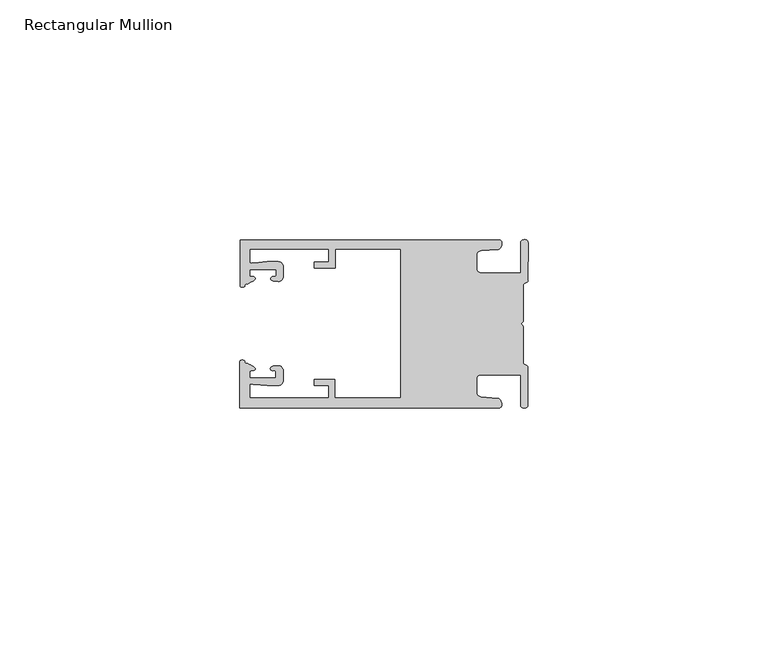
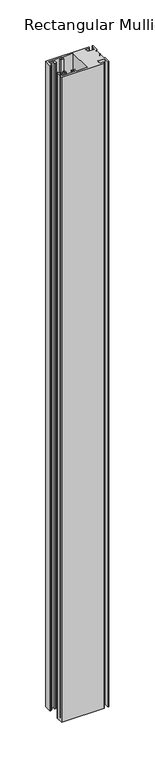
"""IFC4 building model written with IfcOpenShell, lengths in millimetres: member geometry, Rectangular Mullion."""

from ifc_helpers import new_model, si_unit, frame, origin, place, context, project, spatial, circle_curve, source, transform, mapped, element, save
from ifc_brep_helpers import plane_surface, cylinder_surface, extruded_surface, spline_curve, advanced_brep


def rectangular_mullion_0a97ca42(model_context):
    return source(origin(), model_context, "Body", "AdvancedBrep", [
        advanced_brep(
        [(-60.0749377, 17.5111528, 0.0), (-60.0749377, 8.0140787, 0.0), (-59.3252567, 7.7187455, 0.0), (-58.4967974, 8.36785, 0.0), (-58.0726619, 10.1173923, 0.0), (-58.0713101, 11.3673916, 0.0), (-52.5713133, 11.3614437, 0.0), (-52.5726651, 10.1114444, 0.0), (-53.1427626, 8.8955539, 0.0), (-52.0740172, 8.8609044, 0.0), (-51.0729364, 9.8598224, 0.0), (-51.0706653, 11.9598211, 0.0), (-52.0700692, 12.9609024, 0.0), (-54.3905105, 12.9622843, 0.0), (-57.1599646, 12.7230061, 0.0), (-58.0696339, 12.9173907, 0.0), (-58.066768, 15.5673891, 0.0), (-41.5667584, 15.5673891, 0.0), (-41.5695894, 12.9495468, 0.0), (-44.5695877, 12.9527912, 0.0), (-44.5709936, 11.6527919, 0.0), (-40.2709961, 11.6481417, 0.0), (-40.2667576, 15.5673891, 0.0), (-26.6002952, 15.5673891, 0.0), (-26.6002952, -15.4518424, 0.0), (-40.3003032, -15.4518424, 0.0), (-40.2960856, -11.5518447, 0.0), (-44.5960831, -11.5471945, 0.0), (-44.597489, -12.8471938, 0.0), (-41.5974907, -12.8504381, 0.0), (-41.6003025, -15.4504366, 0.0), (-58.1002928, -15.4325927, 0.0), (-58.097427, -12.7825943, 0.0), (-57.1873395, -12.5901776, 0.0), (-54.4184094, -12.8354453, 0.0), (-52.0979705, -12.8390822, 0.0), (-51.0964037, -11.8401649, 0.0), (-51.0941327, -9.7401662, 0.0), (-52.0930507, -8.7390853, 0.0), (-53.1618685, -8.7714231, 0.0), (-52.5944022, -9.9885439, 0.0), (-52.595754, -11.2385431, 0.0), (-58.0957508, -11.2325952, 0.0), (-58.094399, -9.9825959, 0.0), (-58.5147494, -8.2321403, 0.0), (-59.3418028, -7.5812455, 0.0), (-60.0921208, -7.8749565, 0.0), (-60.0921208, -17.4888267, 0.0), (-6.1024861, -17.4888267, 0.0), (-6.5218639, -15.488372, 0.0), (-9.8784944, -15.2205466, 0.0), (-10.7989567, -14.2226333, 0.0), (-10.7961029, -11.5837474, 0.0), (-9.8734844, -10.5878272, 0.0), (-1.5950266, -10.5934991, 0.0), (-1.601948, -16.9936935, 0.0), (-0.1017194, -16.7830581, 0.0), (-0.0933208, -9.0170082, 0.0), (-1.0923837, -8.1499018, 0.0), (-1.0842165, -0.5977972, 0.0), (-1.0829111, 0.6093089, 0.0), (-1.0747439, 8.1614135, 0.0), (-0.0738079, 9.026357, 0.0), (-0.0654093, 16.7924069, 0.0), (-1.5651789, 17.0062866, 0.0), (-1.5651789, 10.6183257, 0.0), (-9.8505511, 10.6183257, 0.0), (-10.7710133, 11.6162391, 0.0), (-10.7681595, 14.255125, 0.0), (-9.845541, 15.2510452, 0.0), (-6.4883391, 15.5116099, 0.0), (-6.0646356, 17.5111528, 0.0), (-60.0749377, 17.5111528, -863.6), (-6.0646356, 17.5111528, -863.6), (-6.4883391, 15.5116099, -863.6), (-9.845541, 15.2510452, -863.6), (-10.7681595, 14.255125, -863.6), (-10.7710133, 11.6162391, -863.6), (-9.8505511, 10.6183257, -863.6), (-1.5651789, 10.6183257, -863.6), (-1.5651789, 17.0062866, -863.6), (-0.0654093, 16.7924069, -863.6), (-0.0738079, 9.026357, -863.6), (-1.0747439, 8.1614135, -863.6), (-1.0829111, 0.6093089, -863.6), (-1.0842165, -0.5977972, -863.6), (-1.0923837, -8.1499018, -863.6), (-0.0933208, -9.0170082, -863.6), (-0.1017194, -16.7830581, -863.6), (-1.601948, -16.9936935, -863.6), (-1.5950266, -10.5934991, -863.6), (-9.8734844, -10.5878272, -863.6), (-10.7961029, -11.5837474, -863.6), (-10.7989567, -14.2226333, -863.6), (-9.8784944, -15.2205466, -863.6), (-6.5218639, -15.488372, -863.6), (-6.1024861, -17.4888267, -863.6), (-60.0921208, -17.4888267, -863.6), (-60.0921208, -7.8749565, -863.6), (-59.3418028, -7.5812455, -863.6), (-58.5147494, -8.2321403, -863.6), (-58.094399, -9.9825959, -863.6), (-58.0957508, -11.2325952, -863.6), (-52.595754, -11.2385431, -863.6), (-52.5944022, -9.9885439, -863.6), (-53.1618685, -8.7714231, -863.6), (-52.0930507, -8.7390853, -863.6), (-51.0941327, -9.7401662, -863.6), (-51.0964037, -11.8401649, -863.6), (-52.0979705, -12.8390823, -863.6), (-54.4184094, -12.8354453, -863.6), (-57.1873395, -12.5901776, -863.6), (-58.097427, -12.7825943, -863.6), (-58.1002928, -15.4325927, -863.6), (-41.6003025, -15.4504366, -863.6), (-41.5974907, -12.8504381, -863.6), (-44.597489, -12.8471938, -863.6), (-44.5960831, -11.5471945, -863.6), (-40.2960856, -11.5518447, -863.6), (-40.3003032, -15.4518424, -863.6), (-26.6002952, -15.4518424, -863.6), (-26.6002952, 15.5673891, -863.6), (-40.2667576, 15.5673891, -863.6), (-40.2709961, 11.6481417, -863.6), (-44.5709936, 11.6527919, -863.6), (-44.5695877, 12.9527912, -863.6), (-41.5695894, 12.9495468, -863.6), (-41.5667584, 15.5673891, -863.6), (-58.066768, 15.5673891, -863.6), (-58.0696339, 12.9173907, -863.6), (-57.1599646, 12.7230061, -863.6), (-54.3905105, 12.9622843, -863.6), (-52.0700692, 12.9609023, -863.6), (-51.0706653, 11.9598211, -863.6), (-51.0729364, 9.8598224, -863.6), (-52.0740172, 8.8609044, -863.6), (-53.1427626, 8.8955539, -863.6), (-52.5726651, 10.1114444, -863.6), (-52.5713133, 11.3614437, -863.6), (-58.0713101, 11.3673916, -863.6), (-58.0726619, 10.1173923, -863.6), (-58.4967974, 8.36785, -863.6), (-59.3252567, 7.7187455, -863.6), (-60.0749377, 8.0140787, -863.6)],
        [
            (0, 1),
            (1, 2, spline_curve(3, [(-60.0749377, 8.0140787, 0.0), (-60.075233123, 7.740904774, 0.0), (-59.825339491, 7.642460332, 0.0), (-59.3252567, 7.7187455, 0.0)], [4, 4], [0.0, 0.0019169337574178654])),
            (2, 3, spline_curve(3, [(-59.3252567, 7.7187455, 0.0), (-59.094460914, 7.75918372, 0.0), (-59.054835463, 7.902257199, 0.0), (-59.05559987, 8.233305614, 0.0), (-59.138729113, 8.4134359, 0.0), (-58.4967974, 8.36785, 0.0)], [4, 2, 4], [0.0, 0.0010199524164107188, 0.0024874514725970356])),
            (3, 4, spline_curve(3, [(-58.4967974, 8.36785, 0.0), (-57.022393378, 9.053435667, 0.0), (-56.827266887, 9.364828726, 0.0), (-56.982213078, 9.742623404, 0.0), (-57.177375211, 9.855581791, 0.0), (-57.697928101, 9.887955071, 0.0), (-57.997449153, 9.835475348, 0.0), (-58.0726619, 10.1173923, 0.0)], [4, 2, 2, 4], [0.0, 0.003269869179570428, 0.005490050486237203, 0.0073545767114364426])),
            (4, 5),
            (5, 6),
            (6, 7),
            (7, 8, spline_curve(3, [(-52.5726651, 10.1114444, 0.0), (-52.667195519, 9.760172042, 0.0), (-52.937094388, 9.861877724, 0.0), (-53.356237032, 9.895631753, 0.0), (-53.491940439, 9.811038713, 0.0), (-53.761900775, 9.511438033, 0.0), (-53.892893546, 9.278787104, 0.0), (-53.1427626, 8.8955539, 0.0)], [4, 2, 2, 4], [0.0, 0.001593963049934732, 0.0033360256320283306, 0.005339140673503943])),
            (8, 9),
            (9, 10, circle_curve(frame((-52.0729358, 9.8609038, 0.0), z_axis=(0.0, 0.0, 1.0), x_axis=(-0.0010814451158600304, -0.9999994152380598, 0.0)), 1.0)),
            (10, 11),
            (11, 12, circle_curve(frame((-52.0706647, 11.9609026, 0.0), z_axis=(0.0, 0.0, 1.0), x_axis=(-0.0010814451158600304, -0.9999994152380598, 0.0)), 1.0)),
            (12, 13),
            (13, 14),
            (14, 15, spline_curve(3, [(-57.1599646, 12.7230061, 0.0), (-57.631533854, 12.682262968, 0.0), (-58.018602985, 12.477800124, 0.0), (-58.0696339, 12.9173907, 0.0)], [4, 4], [0.0, 0.0014803385355886016])),
            (15, 16),
            (16, 17),
            (17, 18),
            (18, 19),
            (19, 20),
            (20, 21),
            (21, 22),
            (22, 23),
            (23, 24),
            (24, 25),
            (25, 26),
            (26, 27),
            (27, 28),
            (28, 29),
            (29, 30),
            (30, 31),
            (31, 32),
            (32, 33, spline_curve(3, [(-58.097427, -12.7825943, 0.0), (-58.045445419, -12.343115126, 0.0), (-57.658819528, -12.548414611, 0.0), (-57.1873395, -12.5901776, 0.0)], [4, 4], [0.0, 0.0014803385355886016])),
            (33, 34),
            (34, 35),
            (35, 36, circle_curve(frame((-52.0964031, -11.8390835, 0.0), z_axis=(0.0, 0.0, 1.0), x_axis=(0.0010814451158600304, 0.9999994152380598, 0.0)), 1.0)),
            (36, 37),
            (37, 38, circle_curve(frame((-52.0941321, -9.7390847, 0.0), z_axis=(0.0, 0.0, 1.0), x_axis=(0.0010814451158600304, 0.9999994152380598, 0.0)), 1.0)),
            (38, 39),
            (39, 40, spline_curve(3, [(-53.1618685, -8.7714231, 0.0), (-53.912826582, -9.153032958, 0.0), (-53.782337352, -9.385966711, 0.0), (-53.51302565, -9.686150585, 0.0), (-53.377505444, -9.771037009, 0.0), (-52.958290774, -9.738189618, 0.0), (-52.688172635, -9.637067904, 0.0), (-52.5944022, -9.9885439, 0.0)], [4, 2, 2, 4], [0.0, 0.002003115041475612, 0.0037451776235692107, 0.005339140673503943])),
            (40, 41),
            (41, 42),
            (42, 43),
            (43, 44, spline_curve(3, [(-58.094399, -9.9825959, 0.0), (-58.018576674, -9.700842284, 0.0), (-57.719169706, -9.753969703, 0.0), (-57.198548014, -9.722722397, 0.0), (-57.003142178, -9.61018632, 0.0), (-56.847379222, -9.232727657, 0.0), (-57.041831673, -8.920913336, 0.0), (-58.5147494, -8.2321403, 0.0)], [4, 2, 2, 4], [0.0, 0.0018645262251992395, 0.004084707531866015, 0.0073545767114364426])),
            (44, 45, spline_curve(3, [(-58.5147494, -8.2321403, 0.0), (-59.156778208, -8.276337666, 0.0), (-59.073259494, -8.096387681, 0.0), (-59.071779067, -7.765341694, 0.0), (-59.111095017, -7.622182811, 0.0), (-59.3418028, -7.5812455, 0.0)], [4, 2, 4], [0.0, 0.0014674990561863168, 0.0024874514725970356])),
            (45, 46, spline_curve(3, [(-59.3418028, -7.5812455, 0.0), (-59.841719425, -7.503878887, 0.0), (-60.091825377, -7.601782574, 0.0), (-60.0921208, -7.8749565, 0.0)], [4, 4], [0.0, 0.0019169337574178654])),
            (46, 47),
            (47, 48),
            (48, 49, spline_curve(3, [(-6.1024861, -17.4888267, 0.0), (-5.074532184, -17.418062188, 0.0), (-5.631140689, -15.411414367, 0.0), (-6.5218639, -15.488372, 0.0)], [4, 4], [0.0, 0.0043819361547461745])),
            (49, 50),
            (50, 51, spline_curve(3, [(-9.8784944, -15.2205466, 0.0), (-10.440691543, -15.150698463, 0.0), (-10.74751234, -14.818060727, 0.0), (-10.7989567, -14.2226333, 0.0)], [4, 4], [0.0, 0.0028645797420738927])),
            (51, 52),
            (52, 53, spline_curve(3, [(-10.7961029, -11.5837474, 0.0), (-10.743370817, -10.988432634, 0.0), (-10.435831301, -10.656459204, 0.0), (-9.8734844, -10.5878272, 0.0)], [4, 4], [0.0, 0.0028645797420738927])),
            (53, 54),
            (54, 55),
            (55, 56, spline_curve(3, [(-1.601948, -16.9936935, 0.0), (-1.655676874, -17.600261454, 0.0), (-0.043737403, -17.912795581, 0.0), (-0.1017194, -16.7830581, 0.0)], [4, 4], [0.0, 0.0036987374396357936])),
            (56, 57),
            (57, 58, spline_curve(3, [(-0.0933208, -9.0170082, 0.0), (-0.018818183, -8.695886697, 0.0), (-1.193434327, -8.459763043, 0.0), (-1.0923837, -8.1499018, 0.0)], [4, 4], [0.0, 0.002027216749630121])),
            (58, 59),
            (59, 60, spline_curve(3, [(-1.0842165, -0.5977972, 0.0), (-1.013223198, -0.445980437, 0.0), (-1.487945123, -0.206736825, 0.0), (-1.487409651, 0.231097965, 0.0), (-0.999110985, 0.429090391, 0.0), (-1.0829111, 0.6093089, 0.0)], [4, 2, 4], [0.0, 0.00249866671847065, 0.005031402919736269])),
            (60, 61),
            (61, 62, spline_curve(3, [(-1.0747439, 8.1614135, 0.0), (-1.175124095, 8.47149258, 0.0), (-7e-09, 8.705075107, 0.0), (-0.0738079, 9.026357, 0.0)], [4, 4], [0.0, 0.002027216749630121])),
            (62, 63),
            (63, 64, spline_curve(3, [(-0.0654093, 16.7924069, 0.0), (-0.004983942, 17.92201633, 0.0), (-1.617595709, 17.612969344, 0.0), (-1.5651789, 17.0062866, 0.0)], [4, 4], [0.0, 0.0036987374396357936])),
            (64, 65),
            (65, 66),
            (66, 67, spline_curve(3, [(-9.8505511, 10.6183257, 0.0), (-10.412748243, 10.688173837, 0.0), (-10.71956894, 11.020811673, 0.0), (-10.7710133, 11.6162391, 0.0)], [4, 4], [0.0, 0.0028645797420738927])),
            (67, 68),
            (68, 69, spline_curve(3, [(-10.7681595, 14.255125, 0.0), (-10.715427417, 14.850439766, 0.0), (-10.407887901, 15.182413196, 0.0), (-9.845541, 15.2510452, 0.0)], [4, 4], [0.0, 0.0028645797420738927])),
            (69, 70),
            (70, 71, spline_curve(3, [(-6.4883391, 15.5116099, 0.0), (-5.597784423, 15.432725911, 0.0), (-5.036837144, 17.438165103, 0.0), (-6.0646356, 17.5111528, 0.0)], [4, 4], [0.0, 0.0043819361547461745])),
            (71, 0),
            (72, 73),
            (73, 74, spline_curve(3, [(-6.0646356, 17.5111528, -863.6), (-5.036837144, 17.438165103, -863.6), (-5.597784423, 15.432725911, -863.6), (-6.4883391, 15.5116099, -863.6)], [4, 4], [0.0, 0.0043819361547461745])),
            (74, 75),
            (75, 76, spline_curve(3, [(-9.845541, 15.2510452, -863.6), (-10.407887901, 15.182413196, -863.6), (-10.715427417, 14.850439766, -863.6), (-10.7681595, 14.255125, -863.6)], [4, 4], [0.0, 0.0028645797420738927])),
            (76, 77),
            (77, 78, spline_curve(3, [(-10.7710133, 11.6162391, -863.6), (-10.71956894, 11.020811673, -863.6), (-10.412748243, 10.688173837, -863.6), (-9.8505511, 10.6183257, -863.6)], [4, 4], [0.0, 0.0028645797420738927])),
            (78, 79),
            (79, 80),
            (80, 81, spline_curve(3, [(-1.5651789, 17.0062866, -863.6), (-1.617595709, 17.612969344, -863.6), (-0.004983942, 17.92201633, -863.6), (-0.0654093, 16.7924069, -863.6)], [4, 4], [0.0, 0.0036987374396357936])),
            (81, 82),
            (82, 83, spline_curve(3, [(-0.0738079, 9.026357, -863.6), (-7e-09, 8.705075107, -863.6), (-1.175124095, 8.47149258, -863.6), (-1.0747439, 8.1614135, -863.6)], [4, 4], [0.0, 0.002027216749630121])),
            (83, 84),
            (84, 85, spline_curve(3, [(-1.0829111, 0.6093089, -863.6), (-0.999110985, 0.429090391, -863.6), (-1.487409651, 0.231097965, -863.6), (-1.487945123, -0.206736825, -863.6), (-1.013223198, -0.445980437, -863.6), (-1.0842165, -0.5977972, -863.6)], [4, 2, 4], [0.0, 0.002532736201265619, 0.005031402919736269])),
            (85, 86),
            (86, 87, spline_curve(3, [(-1.0923837, -8.1499018, -863.6), (-1.193434327, -8.459763043, -863.6), (-0.018818183, -8.695886697, -863.6), (-0.0933208, -9.0170082, -863.6)], [4, 4], [0.0, 0.002027216749630121])),
            (87, 88),
            (88, 89, spline_curve(3, [(-0.1017194, -16.7830581, -863.6), (-0.043737403, -17.912795581, -863.6), (-1.655676874, -17.600261454, -863.6), (-1.601948, -16.9936935, -863.6)], [4, 4], [0.0, 0.0036987374396357936])),
            (89, 90),
            (90, 91),
            (91, 92, spline_curve(3, [(-9.8734844, -10.5878272, -863.6), (-10.435831301, -10.656459204, -863.6), (-10.743370817, -10.988432634, -863.6), (-10.7961029, -11.5837474, -863.6)], [4, 4], [0.0, 0.0028645797420738927])),
            (92, 93),
            (93, 94, spline_curve(3, [(-10.7989567, -14.2226333, -863.6), (-10.74751234, -14.818060727, -863.6), (-10.440691543, -15.150698463, -863.6), (-9.8784944, -15.2205466, -863.6)], [4, 4], [0.0, 0.0028645797420738927])),
            (94, 95),
            (95, 96, spline_curve(3, [(-6.5218639, -15.488372, -863.6), (-5.631140689, -15.411414367, -863.6), (-5.074532184, -17.418062188, -863.6), (-6.1024861, -17.4888267, -863.6)], [4, 4], [0.0, 0.0043819361547461745])),
            (96, 97),
            (97, 98),
            (98, 99, spline_curve(3, [(-60.0921208, -7.8749565, -863.6), (-60.091825377, -7.601782574, -863.6), (-59.841719425, -7.503878887, -863.6), (-59.3418028, -7.5812455, -863.6)], [4, 4], [0.0, 0.0019169337574178654])),
            (99, 100, spline_curve(3, [(-59.3418028, -7.5812455, -863.6), (-59.111095017, -7.622182811, -863.6), (-59.071779067, -7.765341694, -863.6), (-59.073259494, -8.096387681, -863.6), (-59.156778208, -8.276337666, -863.6), (-58.5147494, -8.2321403, -863.6)], [4, 2, 4], [0.0, 0.0010199524164107188, 0.0024874514725970356])),
            (100, 101, spline_curve(3, [(-58.5147494, -8.2321403, -863.6), (-57.041831673, -8.920913336, -863.6), (-56.847379222, -9.232727657, -863.6), (-57.003142178, -9.61018632, -863.6), (-57.198548014, -9.722722397, -863.6), (-57.719169706, -9.753969703, -863.6), (-58.018576674, -9.700842284, -863.6), (-58.094399, -9.9825959, -863.6)], [4, 2, 2, 4], [0.0, 0.003269869179570428, 0.005490050486237203, 0.0073545767114364426])),
            (101, 102),
            (102, 103),
            (103, 104),
            (104, 105, spline_curve(3, [(-52.5944022, -9.9885439, -863.6), (-52.688172635, -9.637067904, -863.6), (-52.958290774, -9.738189618, -863.6), (-53.377505444, -9.771037009, -863.6), (-53.51302565, -9.686150585, -863.6), (-53.782337352, -9.385966711, -863.6), (-53.912826582, -9.153032958, -863.6), (-53.1618685, -8.7714231, -863.6)], [4, 2, 2, 4], [0.0, 0.001593963049934732, 0.0033360256320283306, 0.005339140673503943])),
            (105, 106),
            (106, 107, circle_curve(frame((-52.0941321, -9.7390847, -863.6), z_axis=(0.0, 0.0, -1.0), x_axis=(0.0010814451158600304, 0.9999994152380598, 0.0)), 1.0)),
            (107, 108),
            (108, 109, circle_curve(frame((-52.0964031, -11.8390835, -863.6), z_axis=(0.0, 0.0, -1.0), x_axis=(0.0010814451158600304, 0.9999994152380598, 0.0)), 1.0)),
            (109, 110),
            (110, 111),
            (111, 112, spline_curve(3, [(-57.1873395, -12.5901776, -863.6), (-57.658819528, -12.548414611, -863.6), (-58.045445419, -12.343115126, -863.6), (-58.097427, -12.7825943, -863.6)], [4, 4], [0.0, 0.0014803385355886016])),
            (112, 113),
            (113, 114),
            (114, 115),
            (115, 116),
            (116, 117),
            (117, 118),
            (118, 119),
            (119, 120),
            (120, 121),
            (121, 122),
            (122, 123),
            (123, 124),
            (124, 125),
            (125, 126),
            (126, 127),
            (127, 128),
            (128, 129),
            (129, 130, spline_curve(3, [(-58.0696339, 12.9173907, -863.6), (-58.018602985, 12.477800124, -863.6), (-57.631533854, 12.682262968, -863.6), (-57.1599646, 12.7230061, -863.6)], [4, 4], [0.0, 0.0014803385355886016])),
            (130, 131),
            (131, 132),
            (132, 133, circle_curve(frame((-52.0706647, 11.9609026, -863.6), z_axis=(0.0, 0.0, -1.0), x_axis=(-0.0010814451158600304, -0.9999994152380598, 0.0)), 1.0)),
            (133, 134),
            (134, 135, circle_curve(frame((-52.0729358, 9.8609038, -863.6), z_axis=(0.0, 0.0, -1.0), x_axis=(-0.0010814451158600304, -0.9999994152380598, 0.0)), 1.0)),
            (135, 136),
            (136, 137, spline_curve(3, [(-53.1427626, 8.8955539, -863.6), (-53.892893546, 9.278787104, -863.6), (-53.761900775, 9.511438033, -863.6), (-53.491940439, 9.811038713, -863.6), (-53.356237032, 9.895631753, -863.6), (-52.937094388, 9.861877724, -863.6), (-52.667195519, 9.760172042, -863.6), (-52.5726651, 10.1114444, -863.6)], [4, 2, 2, 4], [0.0, 0.002003115041475612, 0.0037451776235692107, 0.005339140673503943])),
            (137, 138),
            (138, 139),
            (139, 140),
            (140, 141, spline_curve(3, [(-58.0726619, 10.1173923, -863.6), (-57.997449153, 9.835475348, -863.6), (-57.697928101, 9.887955071, -863.6), (-57.177375211, 9.855581791, -863.6), (-56.982213078, 9.742623404, -863.6), (-56.827266887, 9.364828726, -863.6), (-57.022393378, 9.053435667, -863.6), (-58.4967974, 8.36785, -863.6)], [4, 2, 2, 4], [0.0, 0.0018645262251992395, 0.004084707531866015, 0.0073545767114364426])),
            (141, 142, spline_curve(3, [(-58.4967974, 8.36785, -863.6), (-59.138729113, 8.4134359, -863.6), (-59.05559987, 8.233305614, -863.6), (-59.054835463, 7.902257199, -863.6), (-59.094460914, 7.75918372, -863.6), (-59.3252567, 7.7187455, -863.6)], [4, 2, 4], [0.0, 0.0014674990561863168, 0.0024874514725970356])),
            (142, 143, spline_curve(3, [(-59.3252567, 7.7187455, -863.6), (-59.825339491, 7.642460332, -863.6), (-60.075233123, 7.740904774, -863.6), (-60.0749377, 8.0140787, -863.6)], [4, 4], [0.0, 0.0019169337574178654])),
            (143, 72),
            (0, 72),
            (143, 1),
            (142, 2),
            (141, 3),
            (140, 4),
            (139, 5),
            (138, 6),
            (137, 7),
            (136, 8),
            (135, 9),
            (134, 10),
            (133, 11),
            (132, 12),
            (131, 13),
            (130, 14),
            (129, 15),
            (128, 16),
            (127, 17),
            (126, 18),
            (125, 19),
            (124, 20),
            (123, 21),
            (122, 22),
            (121, 23),
            (120, 24),
            (119, 25),
            (118, 26),
            (117, 27),
            (116, 28),
            (115, 29),
            (114, 30),
            (113, 31),
            (112, 32),
            (111, 33),
            (110, 34),
            (109, 35),
            (108, 36),
            (107, 37),
            (106, 38),
            (105, 39),
            (104, 40),
            (103, 41),
            (102, 42),
            (101, 43),
            (100, 44),
            (99, 45),
            (98, 46),
            (97, 47),
            (96, 48),
            (95, 49),
            (94, 50),
            (93, 51),
            (92, 52),
            (91, 53),
            (90, 54),
            (89, 55),
            (88, 56),
            (87, 57),
            (86, 58),
            (85, 59),
            (84, 60),
            (83, 61),
            (82, 62),
            (81, 63),
            (80, 64),
            (79, 65),
            (78, 66),
            (77, 67),
            (76, 68),
            (75, 69),
            (74, 70),
            (73, 71),
        ],
        [
            plane_surface(frame((0.0, -62.5853181, 0.0), z_axis=(0.0, 0.0, 1.0), x_axis=(-1.0, 0.0, 0.0))),
            plane_surface(frame((0.0, -62.5853181, -863.6), z_axis=(0.0, 0.0, -1.0), x_axis=(-1.0, 0.0, 0.0))),
            plane_surface(frame((-60.0749377, 17.5111528, 0.0), z_axis=(-1.0, 0.0, 0.0), x_axis=(0.0, 0.0, -1.0))),
            extruded_surface(spline_curve(3, [(-60.0749377, 8.0140787, -863.6), (-60.075233123, 7.740904774, -863.6), (-59.825339491, 7.642460332, -863.6), (-59.3252567, 7.7187455, -863.6)], [4, 4], [0.0, 0.0019169337574178654]), (0.0, 0.0, 863.6), 863.6),
            extruded_surface(spline_curve(3, [(-59.3252567, 7.7187455, -863.6), (-59.094460914, 7.75918372, -863.6), (-59.054835463, 7.902257199, -863.6), (-59.05559987, 8.233305614, -863.6), (-59.138729113, 8.4134359, -863.6), (-58.4967974, 8.36785, -863.6)], [4, 2, 4], [0.0, 0.0010199524164107188, 0.0024874514725970356]), (0.0, 0.0, 863.6), 863.6),
            extruded_surface(spline_curve(3, [(-58.4967974, 8.36785, -863.6), (-57.022393378, 9.053435667, -863.6), (-56.827266887, 9.364828726, -863.6), (-56.982213078, 9.742623404, -863.6), (-57.177375211, 9.855581791, -863.6), (-57.697928101, 9.887955071, -863.6), (-57.997449153, 9.835475348, -863.6), (-58.0726619, 10.1173923, -863.6)], [4, 2, 2, 4], [0.0, 0.003269869179570428, 0.005490050486237203, 0.0073545767114364426]), (0.0, 0.0, 863.6), 863.6),
            plane_surface(frame((-58.0726619, 10.1173923, 0.0), z_axis=(0.9999994152380598, -0.0010814451158634145, 0.0), x_axis=(0.0, 0.0, -1.0))),
            plane_surface(frame((-58.0713101, 11.3673916, 0.0), z_axis=(-0.0010814451158616418, -0.9999994152380598, 0.0), x_axis=(0.0, 0.0, -1.0))),
            plane_surface(frame((-52.5713133, 11.3614437, 0.0), z_axis=(-0.9999994152380598, 0.0010814451158643293, 0.0), x_axis=(0.0, 0.0, -1.0))),
            extruded_surface(spline_curve(3, [(-52.5726651, 10.1114444, -863.6), (-52.667195519, 9.760172042, -863.6), (-52.937094388, 9.861877724, -863.6), (-53.356237032, 9.895631753, -863.6), (-53.491940439, 9.811038713, -863.6), (-53.761900775, 9.511438033, -863.6), (-53.892893546, 9.278787104, -863.6), (-53.1427626, 8.8955539, -863.6)], [4, 2, 2, 4], [0.0, 0.001593963049934732, 0.0033360256320283306, 0.005339140673503943]), (0.0, 0.0, 863.6), 863.6),
            plane_surface(frame((-53.1427626, 8.8955539, 0.0), z_axis=(-0.032403661401520414, -0.9994748634797054, 0.0), x_axis=(0.0, 0.0, -1.0))),
            cylinder_surface(frame((-52.0729358, 9.8609038, 0.0), z_axis=(0.0, 0.0, 1.0000000000000002), x_axis=(-0.0010814451158600304, -0.9999994152380598, 0.0)), 1.0),
            plane_surface(frame((-51.0729364, 9.8598224, 0.0), z_axis=(0.9999994152380598, -0.001081445115864059, 0.0), x_axis=(0.0, 0.0, -1.0))),
            cylinder_surface(frame((-52.0706647, 11.9609026, 0.0), z_axis=(0.0, 0.0, 1.0000000000000002), x_axis=(-0.0010814451158600304, -0.9999994152380598, 0.0)), 1.0),
            plane_surface(frame((-52.0700692, 12.9609023, 0.0), z_axis=(0.0005955716436318007, 0.999999822647193, 0.0), x_axis=(0.0, 0.0, -1.0))),
            plane_surface(frame((-54.3905105, 12.9622843, 0.0), z_axis=(-0.08607836189159865, 0.9962883697073147, 0.0), x_axis=(0.0, 0.0, -1.0))),
            extruded_surface(spline_curve(3, [(-57.1599646, 12.7230061, -863.6), (-57.631533854, 12.682262968, -863.6), (-58.018602985, 12.477800124, -863.6), (-58.0696339, 12.9173907, -863.6)], [4, 4], [0.0, 0.0014803385355886016]), (0.0, 0.0, 863.6), 863.6),
            plane_surface(frame((-58.0696339, 12.9173907, 0.0), z_axis=(0.9999994152380598, -0.0010814451158629996, 0.0), x_axis=(0.0, 0.0, -1.0))),
            plane_surface(frame((-58.066768, 15.5673891, 0.0), z_axis=(0.0, -1.0, 0.0), x_axis=(0.0, 0.0, -1.0))),
            plane_surface(frame((-41.5667584, 15.5673891, 0.0), z_axis=(-0.9999994152380598, 0.0010814451158636304, 0.0), x_axis=(0.0, 0.0, -1.0))),
            plane_surface(frame((-41.5695894, 12.9495468, 0.0), z_axis=(0.0010814451158615687, 0.9999994152380598, 0.0), x_axis=(0.0, 0.0, -1.0))),
            plane_surface(frame((-44.5695877, 12.9527912, 0.0), z_axis=(-0.9999994152380598, 0.0010814451158626742, 0.0), x_axis=(0.0, 0.0, -1.0))),
            plane_surface(frame((-44.5709936, 11.6527919, 0.0), z_axis=(-0.001081445115861604, -0.9999994152380598, 0.0), x_axis=(0.0, 0.0, -1.0))),
            plane_surface(frame((-40.2709961, 11.6481417, 0.0), z_axis=(0.9999994152380598, -0.001081445115863507, 0.0), x_axis=(0.0, 0.0, -1.0))),
            plane_surface(frame((-40.2667576, 15.5673891, 0.0), z_axis=(0.0, -1.0, 0.0), x_axis=(0.0, 0.0, -1.0))),
            plane_surface(frame((-26.6002952, 15.5673891, 0.0), z_axis=(-1.0, 0.0, 0.0), x_axis=(0.0, 0.0, -1.0))),
            plane_surface(frame((-26.6002952, -15.4518424, 0.0), z_axis=(0.0, 1.0, 0.0), x_axis=(0.0, 0.0, -1.0))),
            plane_surface(frame((-40.3003032, -15.4518424, 0.0), z_axis=(0.9999994152380598, -0.0010814451158565538, 0.0), x_axis=(0.0, 0.0, -1.0))),
            plane_surface(frame((-40.2960856, -11.5518447, 0.0), z_axis=(0.0010814451158584568, 0.9999994152380598, 0.0), x_axis=(0.0, 0.0, -1.0))),
            plane_surface(frame((-44.5960831, -11.5471945, 0.0), z_axis=(-0.9999994152380598, 0.0010814451158573867, 0.0), x_axis=(0.0, 0.0, -1.0))),
            plane_surface(frame((-44.597489, -12.8471938, 0.0), z_axis=(-0.0010814451158584922, -0.9999994152380598, 0.0), x_axis=(0.0, 0.0, -1.0))),
            plane_surface(frame((-41.5974907, -12.8504381, 0.0), z_axis=(-0.9999994152380598, 0.0010814451158564305, 0.0), x_axis=(0.0, 0.0, -1.0))),
            plane_surface(frame((-41.6003025, -15.4504366, 0.0), z_axis=(0.0010814451158583872, 0.9999994152380598, 0.0), x_axis=(0.0, 0.0, -1.0))),
            plane_surface(frame((-58.1002928, -15.4325927, 0.0), z_axis=(0.9999994152380598, -0.0010814451158570612, 0.0), x_axis=(0.0, 0.0, -1.0))),
            extruded_surface(spline_curve(3, [(-58.097427, -12.7825943, -863.6), (-58.045445419, -12.343115126, -863.6), (-57.658819528, -12.548414611, -863.6), (-57.1873395, -12.5901776, -863.6)], [4, 4], [0.0, 0.0014803385355886016]), (0.0, 0.0, 863.6), 863.6),
            plane_surface(frame((-57.1873395, -12.5901776, 0.0), z_axis=(-0.0882330216729926, -0.9960998614026876, 0.0), x_axis=(0.0, 0.0, -1.0))),
            plane_surface(frame((-54.4184094, -12.8354453, 0.0), z_axis=(-0.0015673183327880543, -0.9999987717558677, 0.0), x_axis=(0.0, 0.0, -1.0))),
            cylinder_surface(frame((-52.0964031, -11.8390835, 0.0), z_axis=(0.0, 0.0, 1.0000000000000002), x_axis=(0.0010814451158600304, 0.9999994152380598, 0.0)), 1.0),
            plane_surface(frame((-51.0964037, -11.8401649, 0.0), z_axis=(0.9999994152380598, -0.001081445115856002, 0.0), x_axis=(0.0, 0.0, -1.0))),
            cylinder_surface(frame((-52.0941321, -9.7390847, 0.0), z_axis=(0.0, 0.0, 1.0000000000000002), x_axis=(0.0010814451158600304, 0.9999994152380598, 0.0)), 1.0),
            plane_surface(frame((-52.0930507, -8.7390853, 0.0), z_axis=(-0.030241832452872642, 0.9995426111826812, 0.0), x_axis=(0.0, 0.0, -1.0))),
            extruded_surface(spline_curve(3, [(-53.1618685, -8.7714231, -863.6), (-53.912826582, -9.153032958, -863.6), (-53.782337352, -9.385966711, -863.6), (-53.51302565, -9.686150585, -863.6), (-53.377505444, -9.771037009, -863.6), (-52.958290774, -9.738189618, -863.6), (-52.688172635, -9.637067904, -863.6), (-52.5944022, -9.9885439, -863.6)], [4, 2, 2, 4], [0.0, 0.002003115041475612, 0.0037451776235692107, 0.005339140673503943]), (0.0, 0.0, 863.6), 863.6),
            plane_surface(frame((-52.5944022, -9.9885439, 0.0), z_axis=(-0.9999994152380598, 0.0010814451158557316, 0.0), x_axis=(0.0, 0.0, -1.0))),
            plane_surface(frame((-52.595754, -11.2385431, 0.0), z_axis=(0.001081445115858419, 0.9999994152380598, 0.0), x_axis=(0.0, 0.0, -1.0))),
            plane_surface(frame((-58.0957508, -11.2325952, 0.0), z_axis=(0.9999994152380598, -0.0010814451158566464, 0.0), x_axis=(0.0, 0.0, -1.0))),
            extruded_surface(spline_curve(3, [(-58.094399, -9.9825959, -863.6), (-58.018576674, -9.700842284, -863.6), (-57.719169706, -9.753969703, -863.6), (-57.198548014, -9.722722397, -863.6), (-57.003142178, -9.61018632, -863.6), (-56.847379222, -9.232727657, -863.6), (-57.041831673, -8.920913336, -863.6), (-58.5147494, -8.2321403, -863.6)], [4, 2, 2, 4], [0.0, 0.0018645262251992395, 0.004084707531866015, 0.0073545767114364426]), (0.0, 0.0, 863.6), 863.6),
            extruded_surface(spline_curve(3, [(-58.5147494, -8.2321403, -863.6), (-59.156778208, -8.276337666, -863.6), (-59.073259494, -8.096387681, -863.6), (-59.071779067, -7.765341694, -863.6), (-59.111095017, -7.622182811, -863.6), (-59.3418028, -7.5812455, -863.6)], [4, 2, 4], [0.0, 0.0014674990561863168, 0.0024874514725970356]), (0.0, 0.0, 863.6), 863.6),
            extruded_surface(spline_curve(3, [(-59.3418028, -7.5812455, -863.6), (-59.841719425, -7.503878887, -863.6), (-60.091825377, -7.601782574, -863.6), (-60.0921208, -7.8749565, -863.6)], [4, 4], [0.0, 0.0019169337574178654]), (0.0, 0.0, 863.6), 863.6),
            plane_surface(frame((-60.0921208, -7.8749565, 0.0), z_axis=(-1.0, 0.0, 0.0), x_axis=(0.0, 0.0, -1.0))),
            plane_surface(frame((-60.0921208, -17.4888267, 0.0), z_axis=(0.0, -1.0, 0.0), x_axis=(0.0, 0.0, -1.0))),
            extruded_surface(spline_curve(3, [(-6.1024861, -17.4888267, -863.6), (-5.074532184, -17.418062188, -863.6), (-5.631140689, -15.411414367, -863.6), (-6.5218639, -15.488372, -863.6)], [4, 4], [0.0, 0.0043819361547461745]), (0.0, 0.0, 863.6), 863.6),
            plane_surface(frame((-6.5218639, -15.488372, 0.0), z_axis=(0.07953716124904908, 0.9968319015663789, 0.0), x_axis=(0.0, 0.0, -1.0))),
            extruded_surface(spline_curve(3, [(-9.8784944, -15.2205466, -863.6), (-10.440691543, -15.150698463, -863.6), (-10.74751234, -14.818060727, -863.6), (-10.7989567, -14.2226333, -863.6)], [4, 4], [0.0, 0.0028645797420738927]), (0.0, 0.0, 863.6), 863.6),
            plane_surface(frame((-10.7989567, -14.2226333, 0.0), z_axis=(0.9999994152380598, -0.0010814451158568247, 0.0), x_axis=(0.0, 0.0, -1.0))),
            extruded_surface(spline_curve(3, [(-10.7961029, -11.5837474, -863.6), (-10.743370817, -10.988432634, -863.6), (-10.435831301, -10.656459204, -863.6), (-9.8734844, -10.5878272, -863.6)], [4, 4], [0.0, 0.0028645797420738927]), (0.0, 0.0, 863.6), 863.6),
            plane_surface(frame((-9.8734844, -10.5878272, 0.0), z_axis=(-0.0006851371995361226, -0.9999997652934814, 0.0), x_axis=(0.0, 0.0, -1.0))),
            plane_surface(frame((-1.5950266, -10.5934991, 0.0), z_axis=(-0.9999994152380598, 0.0010814451158568644, 0.0), x_axis=(0.0, 0.0, -1.0))),
            extruded_surface(spline_curve(3, [(-1.601948, -16.9936935, -863.6), (-1.655676874, -17.600261454, -863.6), (-0.043737403, -17.912795581, -863.6), (-0.1017194, -16.7830581, -863.6)], [4, 4], [0.0, 0.0036987374396357936]), (0.0, 0.0, 863.6), 863.6),
            plane_surface(frame((-0.1017194, -16.7830581, 0.0), z_axis=(0.9999994152380598, -0.001081445115856699, 0.0), x_axis=(0.0, 0.0, -1.0))),
            extruded_surface(spline_curve(3, [(-0.0933208, -9.0170082, -863.6), (-0.018818183, -8.695886697, -863.6), (-1.193434327, -8.459763043, -863.6), (-1.0923837, -8.1499018, -863.6)], [4, 4], [0.0, 0.002027216749630121]), (0.0, 0.0, 863.6), 863.6),
            plane_surface(frame((-1.0923837, -8.1499018, 0.0), z_axis=(0.9999994152380598, -0.0010814451158566698, 0.0), x_axis=(0.0, 0.0, -1.0))),
            extruded_surface(spline_curve(3, [(-1.0842165, -0.5977972, -863.6), (-1.013223198, -0.445980437, -863.6), (-1.487945123, -0.206736825, -863.6), (-1.487409651, 0.231097965, -863.6), (-0.999110985, 0.429090391, -863.6), (-1.0829111, 0.6093089, -863.6)], [4, 2, 4], [0.0, 0.00249866671847065, 0.005031402919736269]), (0.0, 0.0, 863.6), 863.6),
            plane_surface(frame((-1.0829111, 0.6093089, 0.0), z_axis=(0.9999994152380598, -0.001081445115863391, 0.0), x_axis=(0.0, 0.0, -1.0))),
            extruded_surface(spline_curve(3, [(-1.0747439, 8.1614135, -863.6), (-1.175124095, 8.47149258, -863.6), (-7e-09, 8.705075107, -863.6), (-0.0738079, 9.026357, -863.6)], [4, 4], [0.0, 0.002027216749630121]), (0.0, 0.0, 863.6), 863.6),
            plane_surface(frame((-0.0738079, 9.026357, 0.0), z_axis=(0.9999994152380598, -0.001081445115863362, 0.0), x_axis=(0.0, 0.0, -1.0))),
            extruded_surface(spline_curve(3, [(-0.0654093, 16.7924069, -863.6), (-0.004983942, 17.92201633, -863.6), (-1.617595709, 17.612969344, -863.6), (-1.5651789, 17.0062866, -863.6)], [4, 4], [0.0, 0.0036987374396357936]), (0.0, 0.0, 863.6), 863.6),
            plane_surface(frame((-1.5651789, 17.0062866, 0.0), z_axis=(-1.0, 0.0, 0.0), x_axis=(0.0, 0.0, -1.0))),
            plane_surface(frame((-1.5651789, 10.6183257, 0.0), z_axis=(0.0, 1.0, 0.0), x_axis=(0.0, 0.0, -1.0))),
            extruded_surface(spline_curve(3, [(-9.8505511, 10.6183257, -863.6), (-10.412748243, 10.688173837, -863.6), (-10.71956894, 11.020811673, -863.6), (-10.7710133, 11.6162391, -863.6)], [4, 4], [0.0, 0.0028645797420738927]), (0.0, 0.0, 863.6), 863.6),
            plane_surface(frame((-10.7710133, 11.6162391, 0.0), z_axis=(0.9999994152380598, -0.0010814451158632362, 0.0), x_axis=(0.0, 0.0, -1.0))),
            extruded_surface(spline_curve(3, [(-10.7681595, 14.255125, -863.6), (-10.715427417, 14.850439766, -863.6), (-10.407887901, 15.182413196, -863.6), (-9.845541, 15.2510452, -863.6)], [4, 4], [0.0, 0.0028645797420738927]), (0.0, 0.0, 863.6), 863.6),
            plane_surface(frame((-9.845541, 15.2510452, 0.0), z_axis=(0.07738093848608862, -0.9970015999781607, 0.0), x_axis=(0.0, 0.0, -1.0))),
            extruded_surface(spline_curve(3, [(-6.4883391, 15.5116099, -863.6), (-5.597784423, 15.432725911, -863.6), (-5.036837144, 17.438165103, -863.6), (-6.0646356, 17.5111528, -863.6)], [4, 4], [0.0, 0.0043819361547461745]), (0.0, 0.0, 863.6), 863.6),
            plane_surface(frame((-6.0646356, 17.5111528, 0.0), z_axis=(0.0, 1.0, 0.0), x_axis=(0.0, 0.0, -1.0))),
        ],
        [
            (0, [[1, 2, 3, 4, 5, 6, 7, 8, 9, 10, 11, 12, 13, 14, 15, 16, 17, 18, 19, 20, 21, 22, 23, 24, 25, 26, 27, 28, 29, 30, 31, 32, 33, 34, 35, 36, 37, 38, 39, 40, 41, 42, 43, 44, 45, 46, 47, 48, 49, 50, 51, 52, 53, 54, 55, 56, 57, 58, 59, 60, 61, 62, 63, 64, 65, 66, 67, 68, 69, 70, 71, 72]]),
            (1, [[73, 74, 75, 76, 77, 78, 79, 80, 81, 82, 83, 84, 85, 86, 87, 88, 89, 90, 91, 92, 93, 94, 95, 96, 97, 98, 99, 100, 101, 102, 103, 104, 105, 106, 107, 108, 109, 110, 111, 112, 113, 114, 115, 116, 117, 118, 119, 120, 121, 122, 123, 124, 125, 126, 127, 128, 129, 130, 131, 132, 133, 134, 135, 136, 137, 138, 139, 140, 141, 142, 143, 144]]),
            (2, [[-1, 145, -144, 146]]),
            (3, [[-2, -146, -143, 147]]),
            (4, [[-3, -147, -142, 148]]),
            (5, [[-4, -148, -141, 149]]),
            (6, [[-5, -149, -140, 150]]),
            (7, [[-6, -150, -139, 151]]),
            (8, [[-7, -151, -138, 152]]),
            (9, [[-8, -152, -137, 153]]),
            (10, [[-9, -153, -136, 154]]),
            (11, [[-10, -154, -135, 155]]),
            (12, [[-11, -155, -134, 156]]),
            (13, [[-12, -156, -133, 157]]),
            (14, [[-13, -157, -132, 158]]),
            (15, [[-14, -158, -131, 159]]),
            (16, [[-15, -159, -130, 160]]),
            (17, [[-16, -160, -129, 161]]),
            (18, [[-17, -161, -128, 162]]),
            (19, [[-18, -162, -127, 163]]),
            (20, [[-19, -163, -126, 164]]),
            (21, [[-20, -164, -125, 165]]),
            (22, [[-21, -165, -124, 166]]),
            (23, [[-22, -166, -123, 167]]),
            (24, [[-23, -167, -122, 168]]),
            (25, [[-24, -168, -121, 169]]),
            (26, [[-25, -169, -120, 170]]),
            (27, [[-26, -170, -119, 171]]),
            (28, [[-27, -171, -118, 172]]),
            (29, [[-28, -172, -117, 173]]),
            (30, [[-29, -173, -116, 174]]),
            (31, [[-30, -174, -115, 175]]),
            (32, [[-31, -175, -114, 176]]),
            (33, [[-32, -176, -113, 177]]),
            (34, [[-33, -177, -112, 178]]),
            (35, [[-34, -178, -111, 179]]),
            (36, [[-35, -179, -110, 180]]),
            (37, [[-36, -180, -109, 181]]),
            (38, [[-37, -181, -108, 182]]),
            (39, [[-38, -182, -107, 183]]),
            (40, [[-39, -183, -106, 184]]),
            (41, [[-40, -184, -105, 185]]),
            (42, [[-41, -185, -104, 186]]),
            (43, [[-42, -186, -103, 187]]),
            (44, [[-43, -187, -102, 188]]),
            (45, [[-44, -188, -101, 189]]),
            (46, [[-45, -189, -100, 190]]),
            (47, [[-46, -190, -99, 191]]),
            (48, [[-47, -191, -98, 192]]),
            (49, [[-48, -192, -97, 193]]),
            (50, [[-49, -193, -96, 194]]),
            (51, [[-50, -194, -95, 195]]),
            (52, [[-51, -195, -94, 196]]),
            (53, [[-52, -196, -93, 197]]),
            (54, [[-53, -197, -92, 198]]),
            (55, [[-54, -198, -91, 199]]),
            (56, [[-55, -199, -90, 200]]),
            (57, [[-56, -200, -89, 201]]),
            (58, [[-57, -201, -88, 202]]),
            (59, [[-58, -202, -87, 203]]),
            (60, [[-59, -203, -86, 204]]),
            (61, [[-60, -204, -85, 205]]),
            (62, [[-61, -205, -84, 206]]),
            (63, [[-62, -206, -83, 207]]),
            (64, [[-63, -207, -82, 208]]),
            (65, [[-64, -208, -81, 209]]),
            (66, [[-65, -209, -80, 210]]),
            (67, [[-66, -210, -79, 211]]),
            (68, [[-67, -211, -78, 212]]),
            (69, [[-68, -212, -77, 213]]),
            (70, [[-69, -213, -76, 214]]),
            (71, [[-70, -214, -75, 215]]),
            (72, [[-71, -215, -74, 216]]),
            (73, [[-72, -216, -73, -145]]),
        ],
    ),
    ])


if __name__ == "__main__":
    model = new_model("IFC4")
    model_context = context("Model", 3, world=origin())
    ifc_project = project(units=[si_unit("LENGTHUNIT", "METRE", prefix="MILLI")], contexts=[model_context])
    site = spatial("IfcSite", under=ifc_project)
    building = spatial("IfcBuilding", under=site)
    placement = place(None, origin())
    rectangular_mullion_shape = rectangular_mullion_0a97ca42(model_context)
    element("IfcMember", 1, ObjectType="Rectangular Mullion", at=placement, inside=building, context=model_context, shape_type="MappedRepresentation", body=[
        mapped(rectangular_mullion_shape, transform((0.0, 0.0, 0.0), x_axis=(1.0, 0.0, 0.0), y_axis=(0.0, 1.0, 0.0), z_axis=(0.0, 0.0, 1.0))),
    ])
    save(model, "model.ifc")
